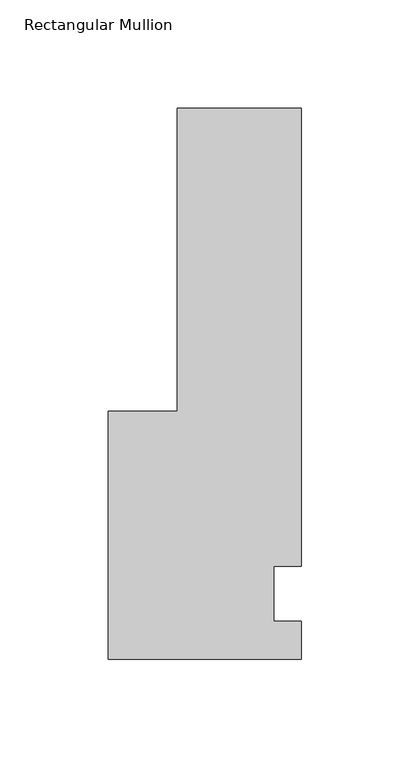
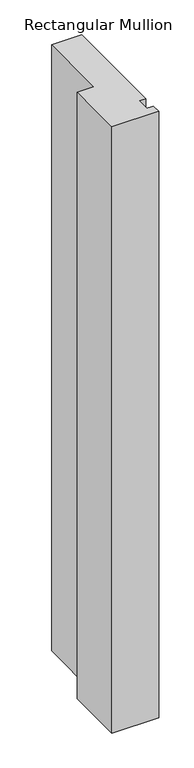
"""IFC4 building model written with IfcOpenShell, lengths in millimetres: member geometry, Rectangular Mullion."""

from ifc_helpers import new_model, si_unit, frame, origin, place, context, project, spatial, polyline, outline, extrude, source, transform, mapped, element, save


def rectangular_mullion_7287f960(model_context):
    return source(origin(), model_context, "Body", "SweptSolid", [
        extrude(outline(polyline([(28.575, 223.8375), (28.575, 12.7), (15.875, 12.7), (15.875, -12.7), (28.575, -12.7), (28.575, -30.1625), (-60.325, -30.1625), (-60.325, 84.1375), (-28.575, 84.1375), (-28.575, 223.8375), (28.575, 223.8375)])), frame((0.0, 0.0, -1219.2), z_axis=(0.0, 0.0, 1.0), x_axis=(1.0, 0.0, 0.0)), (0.0, 0.0, 1.0), 1219.2),
    ])


if __name__ == "__main__":
    model = new_model("IFC4")
    model_context = context("Model", 3, world=origin())
    ifc_project = project(units=[si_unit("LENGTHUNIT", "METRE", prefix="MILLI")], contexts=[model_context])
    site = spatial("IfcSite", under=ifc_project)
    building = spatial("IfcBuilding", under=site)
    placement = place(None, origin())
    rectangular_mullion_shape = rectangular_mullion_7287f960(model_context)
    element("IfcMember", 1, ObjectType="Rectangular Mullion", at=placement, inside=building, context=model_context, shape_type="MappedRepresentation", body=[
        mapped(rectangular_mullion_shape, transform((0.0, 0.0, 0.0), x_axis=(1.0, 0.0, 0.0), y_axis=(0.0, 1.0, 0.0), z_axis=(0.0, 0.0, 1.0))),
    ])
    save(model, "model.ifc")
